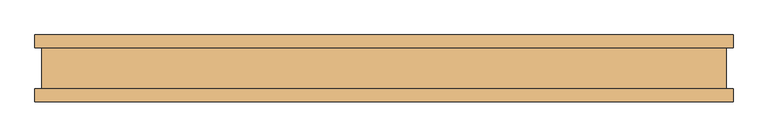
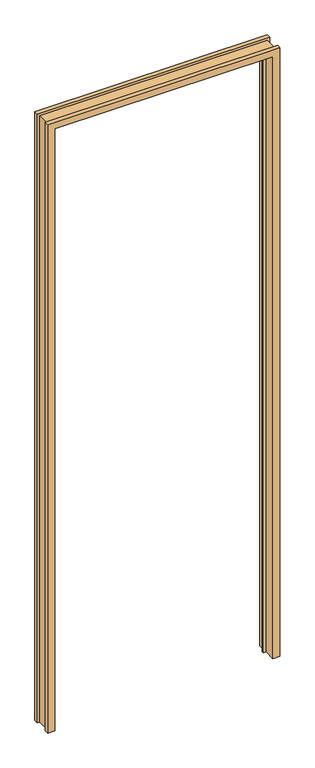
"""IFC4 building model written with IfcOpenShell, lengths in millimetres: door geometry."""

from ifc_helpers import new_model, si_unit, origin, place, context, project, spatial, faceted_brep, source, transform, mapped, element, save


def door_1b3cce8d(model_context):
    return source(origin(), model_context, "Body", "Brep", [
        faceted_brep([(-498.6782, -50.8, 0.0), (-531.3172, -50.8, 0.0), (-531.3172, -31.4833003, 0.0), (-520.7, -31.4833003, 0.0), (-520.7, 31.4833003, 0.0), (-531.3172, 31.4833003, 0.0), (-531.3172, 50.8, 0.0), (-498.6782, 50.8, 0.0), (-498.6782, 10.8710997, 0.0), (-485.7242, 10.8710997, 0.0), (-485.7242, 2.5906997, 0.0), (-498.6782, 2.5906997, 0.0), (498.6782, -50.8, 0.0), (498.6782, 2.5906997, 0.0), (485.7242, 2.5906997, 0.0), (485.7242, 10.8710997, 0.0), (498.6782, 10.8710997, 0.0), (498.6782, 50.8, 0.0), (531.3172, 50.8, 0.0), (531.3172, 31.4833003, 0.0), (520.7, 31.4833003, 0.0), (520.7, -31.4833003, 0.0), (531.3172, -31.4833003, 0.0), (531.3172, -50.8, 0.0), (-498.6782, 2.5906997, 2911.4675997), (-498.6782, -50.8, 2911.4675997), (-485.7242, 2.5906997, 2898.5135997), (485.7242, 2.5906997, 2898.5135997), (498.6782, 2.5906997, 2911.4675997), (-485.7242, 10.8710997, 2898.5135997), (-498.6782, 10.8710997, 2911.4675997), (498.6782, 10.8710997, 2911.4675997), (485.7242, 10.8710997, 2898.5135997), (-498.6782, 50.8, 2911.4675997), (-531.3172, 50.8, 2944.1065997), (531.3172, 50.8, 2944.1065997), (498.6782, 50.8, 2911.4675997), (-531.3172, 31.4833003, 2944.1065997), (-520.7, 31.4833003, 2933.4893997), (520.7, 31.4833003, 2933.4893997), (531.3172, 31.4833003, 2944.1065997), (-520.7, -31.4833003, 2933.4893997), (-531.3172, -31.4833003, 2944.1065997), (531.3172, -31.4833003, 2944.1065997), (520.7, -31.4833003, 2933.4893997), (-531.3172, -50.8, 2944.1065997), (498.6782, -50.8, 2911.4675997), (531.3172, -50.8, 2944.1065997)], [[[0, 1, 2, 3, 4, 5, 6, 7, 8, 9, 10, 11]], [[12, 13, 14, 15, 16, 17, 18, 19, 20, 21, 22, 23]], [[11, 24, 25, 0]], [[10, 26, 27, 14, 13, 28, 24, 11]], [[9, 29, 26, 10]], [[8, 30, 31, 16, 15, 32, 29, 9]], [[7, 33, 30, 8]], [[6, 34, 35, 18, 17, 36, 33, 7]], [[5, 37, 34, 6]], [[4, 38, 39, 20, 19, 40, 37, 5]], [[3, 41, 38, 4]], [[2, 42, 43, 22, 21, 44, 41, 3]], [[1, 45, 42, 2]], [[0, 25, 46, 12, 23, 47, 45, 1]], [[24, 28, 46, 25]], [[29, 32, 27, 26]], [[33, 36, 31, 30]], [[37, 40, 35, 34]], [[41, 44, 39, 38]], [[45, 47, 43, 42]], [[28, 13, 12, 46]], [[32, 15, 14, 27]], [[36, 17, 16, 31]], [[40, 19, 18, 35]], [[44, 21, 20, 39]], [[47, 23, 22, 43]]]),
    ])


if __name__ == "__main__":
    model = new_model("IFC4")
    model_context = context("Model", 3, world=origin())
    ifc_project = project(units=[si_unit("LENGTHUNIT", "METRE", prefix="MILLI")], contexts=[model_context])
    site = spatial("IfcSite", under=ifc_project)
    building = spatial("IfcBuilding", under=site)
    placement = place(None, origin())
    door_shape = door_1b3cce8d(model_context)
    element("IfcDoor", 1, at=placement, inside=building, context=model_context, shape_type="MappedRepresentation", body=[
        mapped(door_shape, transform((0.0, 0.0, 0.0), x_axis=(1.0, 0.0, 0.0), y_axis=(0.0, 1.0, 0.0), z_axis=(0.0, 0.0, 1.0))),
    ])
    save(model, "model.ifc")
